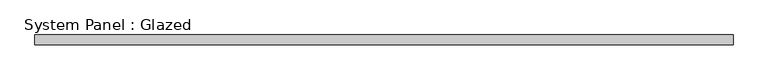
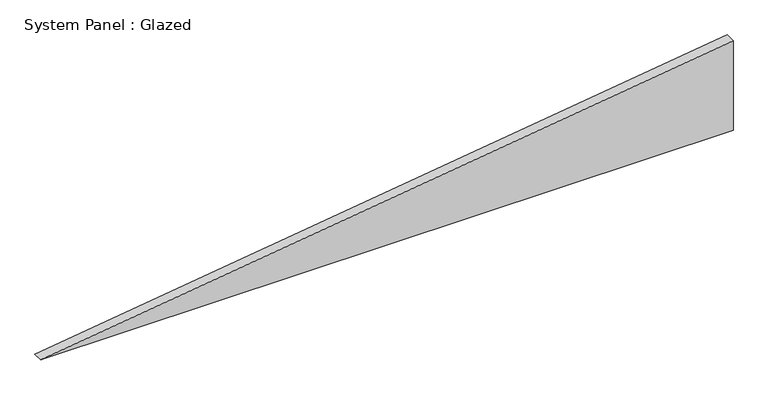
"""IFC4 building model written with IfcOpenShell, lengths in millimetres: plate geometry, System Panel : Glazed."""

from ifc_helpers import new_model, si_unit, frame, origin, place, context, project, spatial, polyline, outline, extrude, source, transform, mapped, element, save


def system_panel_glazed_084b9613(model_context):
    return source(origin(), model_context, "Body", "SweptSolid", [
        extrude(outline(polyline([(0.0, -868.7788462), (0.0, 868.7788462), (238.2230417, 868.7788462), (0.0, -868.7788462)])), frame((0.0, -49.5, 0.0), z_axis=(0.0, 1.0, 0.0), x_axis=(0.0, 0.0, 1.0)), (0.0, 0.0, 1.0), 25.0),
    ])


if __name__ == "__main__":
    model = new_model("IFC4")
    model_context = context("Model", 3, world=origin())
    ifc_project = project(units=[si_unit("LENGTHUNIT", "METRE", prefix="MILLI")], contexts=[model_context])
    site = spatial("IfcSite", under=ifc_project)
    building = spatial("IfcBuilding", under=site)
    placement = place(None, origin())
    system_panel_glazed_shape = system_panel_glazed_084b9613(model_context)
    element("IfcPlate", 1, ObjectType="System Panel : Glazed", at=placement, inside=building, context=model_context, shape_type="MappedRepresentation", body=[
        mapped(system_panel_glazed_shape, transform((0.0, 0.0, 0.0), x_axis=(1.0, 0.0, 0.0), y_axis=(0.0, 1.0, 0.0), z_axis=(0.0, 0.0, 1.0))),
    ])
    save(model, "model.ifc")
